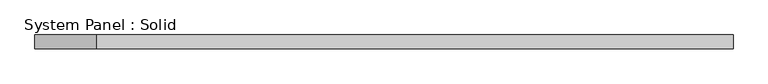
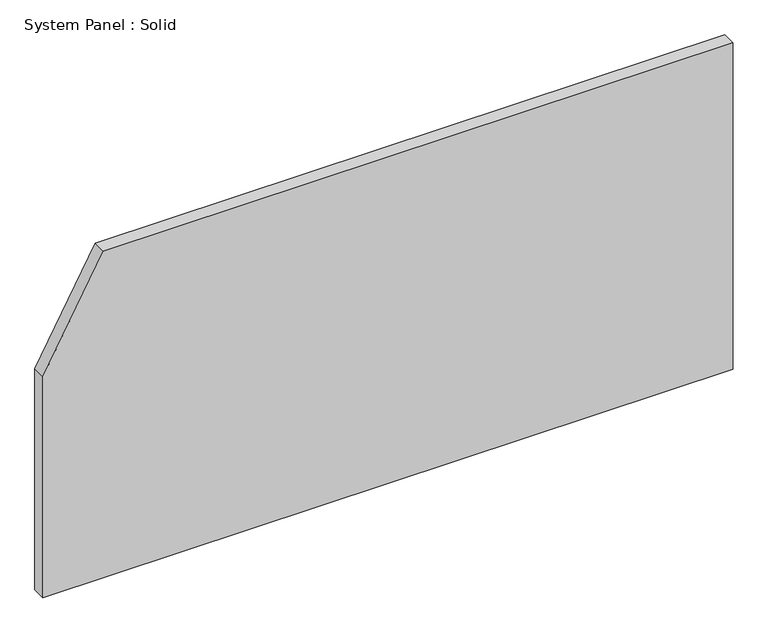
"""IFC4 building model written with IfcOpenShell, lengths in millimetres: plate geometry, System Panel : Solid."""

from ifc_helpers import new_model, si_unit, frame, origin, place, context, project, spatial, polyline, outline, extrude, source, transform, mapped, element, save


def system_panel_solid_a2d1a5a1(model_context):
    return source(origin(), model_context, "Body", "SweptSolid", [
        extrude(outline(polyline([(0.0, -1500.0), (0.0, 1500.0), (1500.0, 1500.0), (1500.0, -1236.7251761), (1015.9313792, -1500.0), (0.0, -1500.0)])), frame((0.0, -10.5, 0.0), z_axis=(0.0, 1.0, 0.0), x_axis=(0.0, 0.0, 1.0)), (0.0, 0.0, 1.0), 60.0),
    ])


if __name__ == "__main__":
    model = new_model("IFC4")
    model_context = context("Model", 3, world=origin())
    ifc_project = project(units=[si_unit("LENGTHUNIT", "METRE", prefix="MILLI")], contexts=[model_context])
    site = spatial("IfcSite", under=ifc_project)
    building = spatial("IfcBuilding", under=site)
    placement = place(None, origin())
    system_panel_solid_shape = system_panel_solid_a2d1a5a1(model_context)
    element("IfcPlate", 1, ObjectType="System Panel : Solid", at=placement, inside=building, context=model_context, shape_type="MappedRepresentation", body=[
        mapped(system_panel_solid_shape, transform((0.0, 0.0, 0.0), x_axis=(1.0, 0.0, 0.0), y_axis=(0.0, 1.0, 0.0), z_axis=(0.0, 0.0, 1.0))),
    ])
    save(model, "model.ifc")
